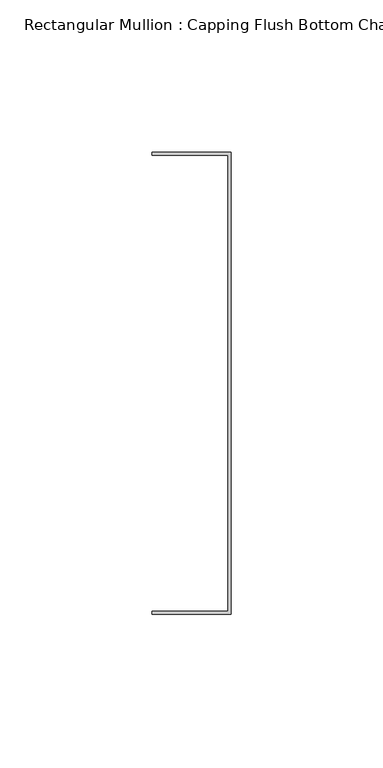
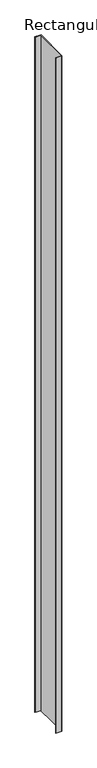
"""IFC4 building model written with IfcOpenShell, lengths in millimetres: member geometry, Rectangular Mullion : Capping Flush Bottom Channel 150."""

from ifc_helpers import new_model, si_unit, frame, origin, place, context, project, spatial, polyline, outline, extrude, source, transform, mapped, element, save


def rectangular_mullion_capping_flush_bottom_channel_150_ba1258b7(model_context):
    return source(origin(), model_context, "Body", "SweptSolid", [
        extrude(outline(polyline([(-0.95, 75.0), (-25.95, 75.0), (-25.95, 75.95), (0.0, 75.95), (0.0, -75.95), (-25.95, -75.95), (-25.95, -75.0), (-0.95, -75.0), (-0.95, 75.0)])), frame((0.0, 0.0, -3000.0), z_axis=(0.0, 0.0, 1.0), x_axis=(1.0, 0.0, 0.0)), (0.0, 0.0, 1.0), 3000.0),
    ])


if __name__ == "__main__":
    model = new_model("IFC4")
    model_context = context("Model", 3, world=origin())
    ifc_project = project(units=[si_unit("LENGTHUNIT", "METRE", prefix="MILLI")], contexts=[model_context])
    site = spatial("IfcSite", under=ifc_project)
    building = spatial("IfcBuilding", under=site)
    placement = place(None, origin())
    rectangular_mullion_capping_flush_bottom_channel_150_shape = rectangular_mullion_capping_flush_bottom_channel_150_ba1258b7(model_context)
    element("IfcMember", 1, ObjectType="Rectangular Mullion : Capping Flush Bottom Channel 150", at=placement, inside=building, context=model_context, shape_type="MappedRepresentation", body=[
        mapped(rectangular_mullion_capping_flush_bottom_channel_150_shape, transform((0.0, 0.0, 0.0), x_axis=(1.0, 0.0, 0.0), y_axis=(0.0, 1.0, 0.0), z_axis=(0.0, 0.0, 1.0))),
    ])
    save(model, "model.ifc")
